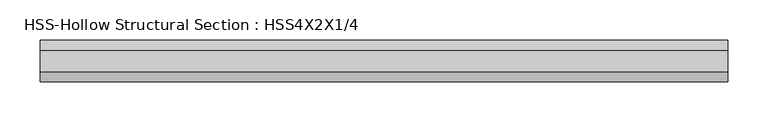
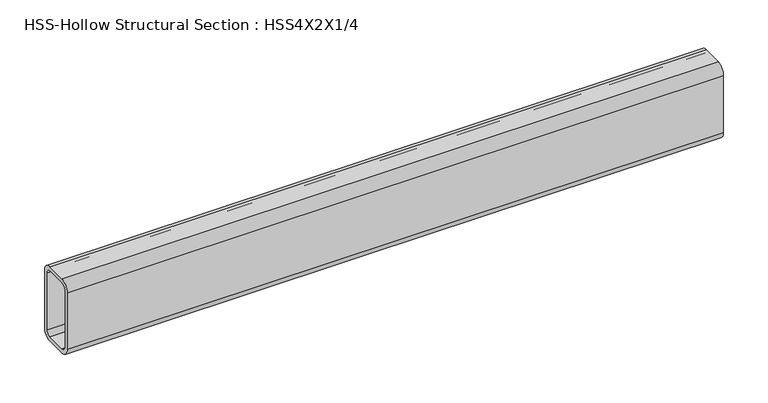
"""IFC4 building model written with IfcOpenShell, lengths in millimetres: beam geometry, HSS-Hollow Structural Section : HSS4X2X1/4."""

from ifc_helpers import new_model, si_unit, point, frame, frame_2d, origin, place, context, project, spatial, polyline, circle_curve, trimmed, segment, composite_curve, outline, extrude, source, transform, mapped, element, save


def hss_hollow_structural_section_hss4x2x1_4_eaacebe1(model_context):
    return source(origin(), model_context, "Body", "SweptSolid", [
        extrude(outline(composite_curve([segment(polyline([(25.4, 38.9636), (25.4, -38.9636)]), True, "CONTINUOUS"), segment(trimmed(circle_curve(frame_2d((13.5636, -38.9636)), 11.8364), [point((25.4, -38.9636))], [point((13.5636, -50.8))], False, "CARTESIAN"), True, "CONTINUOUS"), segment(polyline([(13.5636, -50.8), (-13.5636, -50.8)]), True, "CONTINUOUS"), segment(trimmed(circle_curve(frame_2d((-13.5636, -38.9636)), 11.8364), [point((-13.5636, -50.8))], [point((-25.4, -38.9636))], False, "CARTESIAN"), True, "CONTINUOUS"), segment(polyline([(-25.4, -38.9636), (-25.4, 38.9636)]), True, "CONTINUOUS"), segment(trimmed(circle_curve(frame_2d((-13.5636, 38.9636)), 11.8364), [point((-25.4, 38.9636))], [point((-13.5636, 50.8))], False, "CARTESIAN"), True, "CONTINUOUS"), segment(polyline([(-13.5636, 50.8), (13.5636, 50.8)]), True, "CONTINUOUS"), segment(trimmed(circle_curve(frame_2d((13.5636, 38.9636)), 11.8364), [point((13.5636, 50.8))], [point((25.4, 38.9636))], False, "CARTESIAN"), True, "CONTINUOUS")], self_intersect=False), holes=[composite_curve([segment(trimmed(circle_curve(frame_2d((-13.5636, 38.9636)), 5.9182), [point((-13.5636, 44.8818))], [point((-19.4818, 38.9636))], True, "CARTESIAN"), True, "CONTINUOUS"), segment(polyline([(-19.4818, 38.9636), (-19.4818, -38.9636)]), True, "CONTINUOUS"), segment(trimmed(circle_curve(frame_2d((-13.5636, -38.9636)), 5.9182), [point((-19.4818, -38.9636))], [point((-13.5636, -44.8818))], True, "CARTESIAN"), True, "CONTINUOUS"), segment(polyline([(-13.5636, -44.8818), (13.5636, -44.8818)]), True, "CONTINUOUS"), segment(trimmed(circle_curve(frame_2d((13.5636, -38.9636)), 5.9182), [point((13.5636, -44.8818))], [point((19.4818, -38.9636))], True, "CARTESIAN"), True, "CONTINUOUS"), segment(polyline([(19.4818, -38.9636), (19.4818, 38.9636)]), True, "CONTINUOUS"), segment(trimmed(circle_curve(frame_2d((13.5636, 38.9636)), 5.9182), [point((19.4818, 38.9636))], [point((13.5636, 44.8818))], True, "CARTESIAN"), True, "CONTINUOUS"), segment(polyline([(13.5636, 44.8818), (-13.5636, 44.8818)]), True, "CONTINUOUS")], self_intersect=False)]), frame((-424.81246, 0.0, 0.0), z_axis=(1.0, 0.0, 0.0), x_axis=(0.0, 1.0, 0.0)), (0.0, 0.0, 1.0), 849.62492),
    ])


if __name__ == "__main__":
    model = new_model("IFC4")
    model_context = context("Model", 3, world=origin())
    ifc_project = project(units=[si_unit("LENGTHUNIT", "METRE", prefix="MILLI")], contexts=[model_context])
    site = spatial("IfcSite", under=ifc_project)
    building = spatial("IfcBuilding", under=site)
    placement = place(None, origin())
    hss_hollow_structural_section_hss4x2x1_4_shape = hss_hollow_structural_section_hss4x2x1_4_eaacebe1(model_context)
    element("IfcBeam", 1, ObjectType="HSS-Hollow Structural Section : HSS4X2X1/4", at=placement, inside=building, context=model_context, shape_type="MappedRepresentation", body=[
        mapped(hss_hollow_structural_section_hss4x2x1_4_shape, transform((0.0, 0.0, 0.0), x_axis=(1.0, 0.0, 0.0), y_axis=(0.0, 1.0, 0.0), z_axis=(0.0, 0.0, 1.0))),
    ])
    save(model, "model.ifc")
